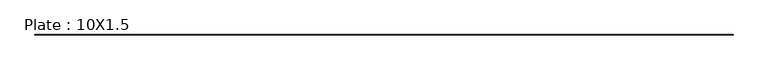
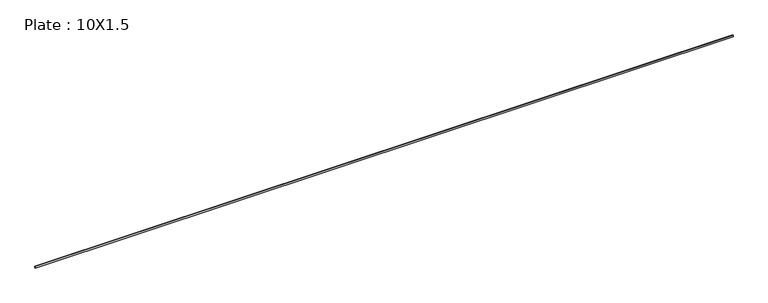
"""IFC4 building model written with IfcOpenShell, lengths in millimetres: member geometry, Plate : 10X1.5."""

from ifc_helpers import new_model, si_unit, frame, origin, place, context, project, spatial, polyline, outline, extrude, source, transform, mapped, element, save


def plate_10x1_5_6213cb26(model_context):
    return source(origin(), model_context, "Body", "SweptSolid", [
        extrude(outline(polyline([(1808.0, 0.75), (1808.0, -0.75), (-1808.0, -0.75), (-1808.0, 0.75), (1808.0, 0.75)])), frame((0.0, 0.0, -5.0), z_axis=(0.0, 0.0, 1.0), x_axis=(1.0, 0.0, 0.0)), (0.0, 0.0, 1.0), 10.0),
    ])


if __name__ == "__main__":
    model = new_model("IFC4")
    model_context = context("Model", 3, world=origin())
    ifc_project = project(units=[si_unit("LENGTHUNIT", "METRE", prefix="MILLI")], contexts=[model_context])
    site = spatial("IfcSite", under=ifc_project)
    building = spatial("IfcBuilding", under=site)
    placement = place(None, origin())
    plate_10x1_5_shape = plate_10x1_5_6213cb26(model_context)
    element("IfcMember", 1, ObjectType="Plate : 10X1.5", at=placement, inside=building, context=model_context, shape_type="MappedRepresentation", body=[
        mapped(plate_10x1_5_shape, transform((0.0, 0.0, 0.0), x_axis=(1.0, 0.0, 0.0), y_axis=(0.0, 1.0, 0.0), z_axis=(0.0, 0.0, 1.0))),
    ])
    save(model, "model.ifc")
